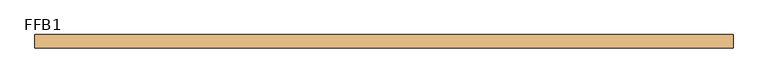
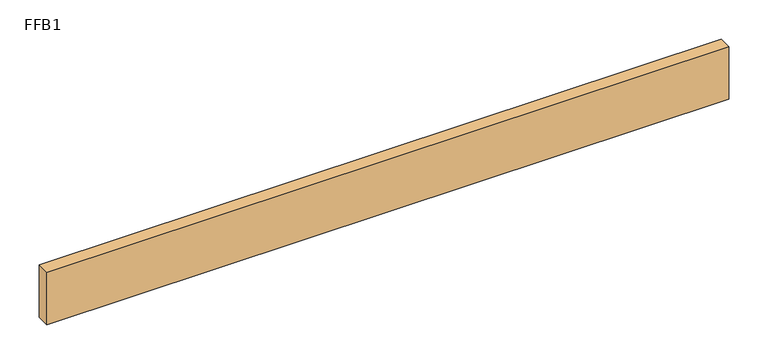
"""IFC4 building model written with IfcOpenShell, lengths in millimetres: door geometry, FFB1."""

from ifc_helpers import new_model, si_unit, origin, origin_with_axes, place, context, project, spatial, polyline, outline, extrude, source, transform, mapped, element, save


def ffb1_afd97686(model_context):
    return source(origin(), model_context, "Body", "SweptSolid", [
        extrude(outline(polyline([(499.7704, 0.0), (-499.7704, 0.0), (-499.7704, 19.05), (499.7704, 19.05), (499.7704, 0.0)])), origin_with_axes(), (0.0, 0.0, 1.0), 81.28),
    ])


if __name__ == "__main__":
    model = new_model("IFC4")
    model_context = context("Model", 3, world=origin())
    ifc_project = project(units=[si_unit("LENGTHUNIT", "METRE", prefix="MILLI")], contexts=[model_context])
    site = spatial("IfcSite", under=ifc_project)
    building = spatial("IfcBuilding", under=site)
    placement = place(None, origin())
    ffb1_shape = ffb1_afd97686(model_context)
    element("IfcDoor", 1, ObjectType="FFB1", at=placement, inside=building, context=model_context, shape_type="MappedRepresentation", body=[
        mapped(ffb1_shape, transform((0.0, 0.0, 0.0), x_axis=(1.0, 0.0, 0.0), y_axis=(0.0, 1.0, 0.0), z_axis=(0.0, 0.0, 1.0))),
    ])
    save(model, "model.ifc")
